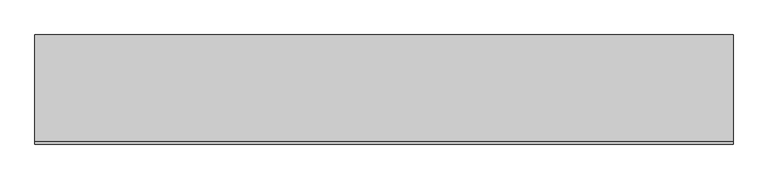
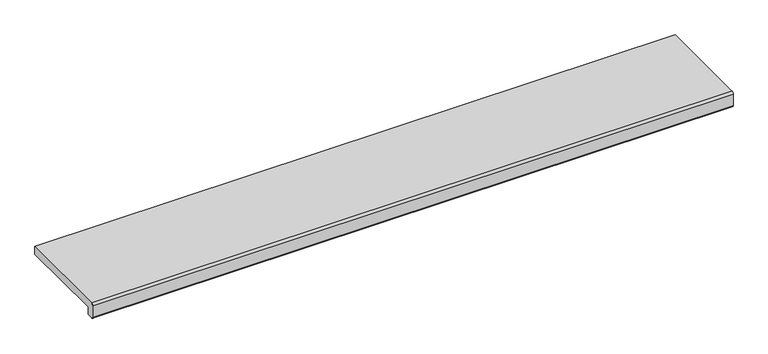
"""IFC4 building model written with IfcOpenShell, lengths in millimetres: proxy geometry."""

from ifc_helpers import new_model, si_unit, point, frame, frame_2d, origin, place, context, project, spatial, polyline, circle_curve, trimmed, segment, composite_curve, outline, extrude, source, transform, mapped, element, save


def generic_models_7c776f4a(model_context):
    return source(origin(), model_context, "Body", "SweptSolid", [
        extrude(outline(composite_curve([segment(polyline([(-245.0, 30.0), (0.0, 30.0), (0.0, 10.0), (-230.0, 10.0), (-230.0, -10.0), (-245.0, -10.0)]), True, "CONTINUOUS"), segment(trimmed(circle_curve(frame_2d((-245.0, -5.0)), 5.0), [point((-245.0, -10.0))], [point((-250.0, -5.0))], False, "CARTESIAN"), True, "CONTINUOUS"), segment(polyline([(-250.0, -5.0), (-250.0, 25.0)]), True, "CONTINUOUS"), segment(trimmed(circle_curve(frame_2d((-245.0, 25.0)), 5.0), [point((-250.0, 25.0))], [point((-245.0, 30.0))], False, "CARTESIAN"), True, "CONTINUOUS")], self_intersect=False)), frame((-800.0, 0.0, 0.0), z_axis=(1.0, 0.0, 0.0), x_axis=(0.0, 1.0, 0.0)), (0.0, 0.0, 1.0), 1600.0),
    ])


if __name__ == "__main__":
    model = new_model("IFC4")
    model_context = context("Model", 3, world=origin())
    ifc_project = project(units=[si_unit("LENGTHUNIT", "METRE", prefix="MILLI")], contexts=[model_context])
    site = spatial("IfcSite", under=ifc_project)
    building = spatial("IfcBuilding", under=site)
    placement = place(None, origin())
    generic_models_shape = generic_models_7c776f4a(model_context)
    element("IfcBuildingElementProxy", 1, Name="Generic Models", at=placement, inside=building, context=model_context, shape_type="MappedRepresentation", body=[
        mapped(generic_models_shape, transform((0.0, 0.0, 0.0), x_axis=(1.0, 0.0, 0.0), y_axis=(0.0, 1.0, 0.0), z_axis=(0.0, 0.0, 1.0))),
    ])
    save(model, "model.ifc")
